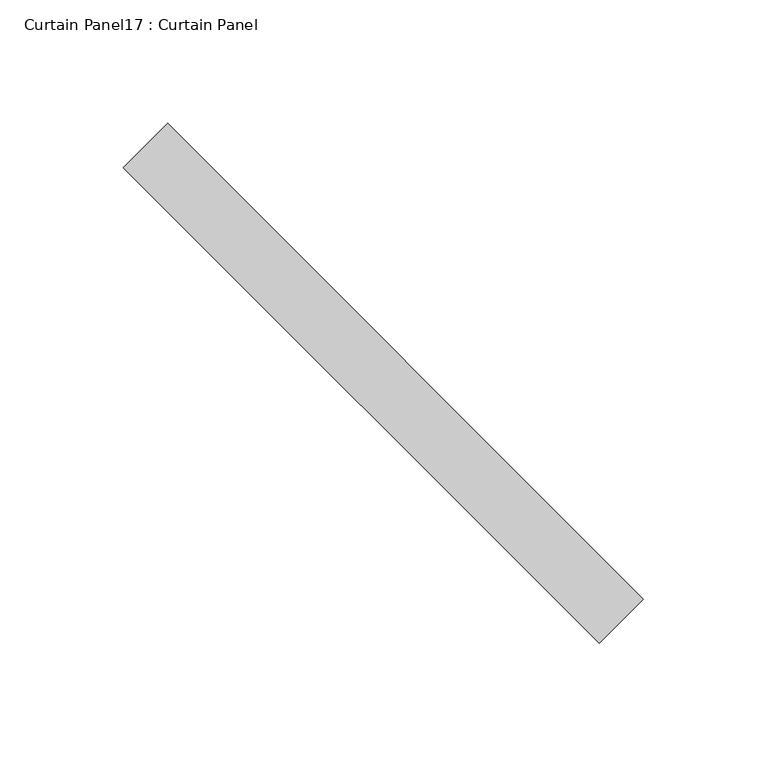
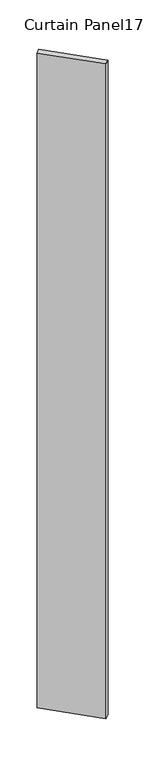
"""IFC4 building model written with IfcOpenShell, lengths in millimetres: plate geometry, Curtain Panel17 : Curtain Panel."""

from ifc_helpers import new_model, si_unit, frame, origin, place, context, project, spatial, polyline, outline, extrude, source, transform, mapped, element, save


def curtain_panel17_curtain_panel_68fdff75(model_context):
    return source(origin(), model_context, "Body", "SweptSolid", [
        extrude(outline(polyline([(56866.3753664, 2894.4619836), (57059.2569198, 2701.5804302), (57041.2964075, 2683.6199179), (56848.4148542, 2876.5014713), (56866.3753664, 2894.4619836)])), frame((0.0, 0.0, -994.8126169), z_axis=(0.0, 0.0, 1.0), x_axis=(1.0, 0.0, 0.0)), (0.0, 0.0, 1.0), 3048.0),
    ])


if __name__ == "__main__":
    model = new_model("IFC4")
    model_context = context("Model", 3, world=origin())
    ifc_project = project(units=[si_unit("LENGTHUNIT", "METRE", prefix="MILLI")], contexts=[model_context])
    site = spatial("IfcSite", under=ifc_project)
    building = spatial("IfcBuilding", under=site)
    placement = place(None, origin())
    curtain_panel17_curtain_panel_shape = curtain_panel17_curtain_panel_68fdff75(model_context)
    element("IfcPlate", 1, ObjectType="Curtain Panel17 : Curtain Panel", at=placement, inside=building, context=model_context, shape_type="MappedRepresentation", body=[
        mapped(curtain_panel17_curtain_panel_shape, transform((0.0, 0.0, 0.0), x_axis=(1.0, 0.0, 0.0), y_axis=(0.0, 1.0, 0.0), z_axis=(0.0, 0.0, 1.0))),
    ])
    save(model, "model.ifc")
